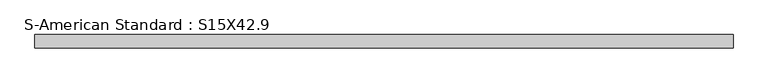
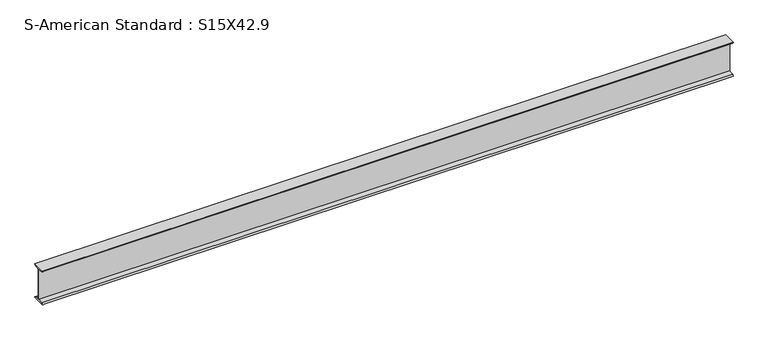
"""IFC4 building model written with IfcOpenShell, lengths in millimetres: beam geometry, S-American Standard : S15X42.9."""

from ifc_helpers import new_model, si_unit, point, frame, frame_2d, origin, place, context, project, spatial, polyline, circle_curve, trimmed, segment, composite_curve, outline, extrude, source, transform, mapped, element, save


def s_american_standard_s15x42_9_550e5953(model_context):
    return source(origin(), model_context, "Body", "SweptSolid", [
        extrude(outline(composite_curve([segment(polyline([(-69.85, 190.5), (69.85, 190.5)]), True, "CONTINUOUS"), segment(trimmed(circle_curve(frame_2d((54.05, 190.5)), 15.8), [point((69.85, 190.5))], [point((54.05, 174.7))], False, "CARTESIAN"), True, "CONTINUOUS"), segment(polyline([(54.05, 174.7), (5.2, 166.9629201), (5.2, -166.9629201), (54.05, -174.7)]), True, "CONTINUOUS"), segment(trimmed(circle_curve(frame_2d((54.05, -190.5)), 15.8), [point((54.05, -174.7))], [point((69.85, -190.5))], False, "CARTESIAN"), True, "CONTINUOUS"), segment(polyline([(69.85, -190.5), (-69.85, -190.5)]), True, "CONTINUOUS"), segment(trimmed(circle_curve(frame_2d((-54.05, -190.5)), 15.8), [point((-69.85, -190.5))], [point((-54.05, -174.7))], False, "CARTESIAN"), True, "CONTINUOUS"), segment(polyline([(-54.05, -174.7), (-5.2, -166.9629201), (-5.2, 166.9629201), (-54.05, 174.7)]), True, "CONTINUOUS"), segment(trimmed(circle_curve(frame_2d((-54.05, 190.5)), 15.8), [point((-54.05, 174.7))], [point((-69.85, 190.5))], False, "CARTESIAN"), True, "CONTINUOUS")], self_intersect=False)), frame((-3594.4894839, 0.0, 0.0), z_axis=(1.0, 0.0, 0.0), x_axis=(0.0, 1.0, 0.0)), (0.0, 0.0, 1.0), 7355.6892209),
    ])


if __name__ == "__main__":
    model = new_model("IFC4")
    model_context = context("Model", 3, world=origin())
    ifc_project = project(units=[si_unit("LENGTHUNIT", "METRE", prefix="MILLI")], contexts=[model_context])
    site = spatial("IfcSite", under=ifc_project)
    building = spatial("IfcBuilding", under=site)
    placement = place(None, origin())
    s_american_standard_s15x42_9_shape = s_american_standard_s15x42_9_550e5953(model_context)
    element("IfcBeam", 1, ObjectType="S-American Standard : S15X42.9", at=placement, inside=building, context=model_context, shape_type="MappedRepresentation", body=[
        mapped(s_american_standard_s15x42_9_shape, transform((0.0, 0.0, 0.0), x_axis=(1.0, 0.0, 0.0), y_axis=(0.0, 1.0, 0.0), z_axis=(0.0, 0.0, 1.0))),
    ])
    save(model, "model.ifc")
